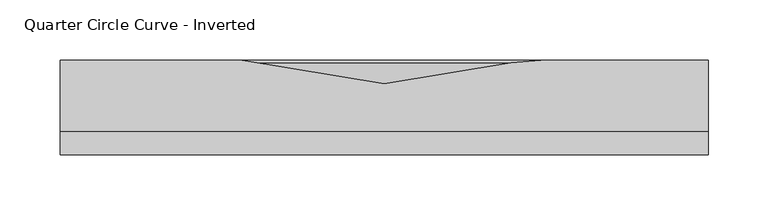
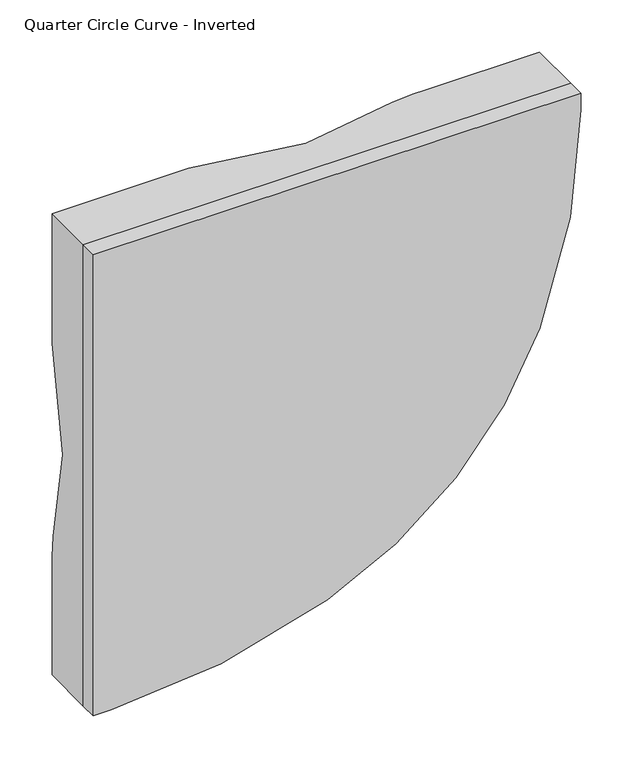
"""IFC4 building model written with IfcOpenShell, lengths in millimetres: furniture geometry, Quarter Circle Curve - Inverted."""

from ifc_helpers import new_model, si_unit, point, frame, frame_2d, origin, place, context, project, spatial, polyline, circle_curve, ellipse_curve, trimmed, segment, composite_curve, outline, extrude, source, transform, mapped, element, save
from ifc_brep_helpers import plane_surface, cylinder_surface, revolved_surface, advanced_brep


def quarter_circle_curve_inverted_fae73153(model_context):
    return source(origin(), model_context, "Body", "SolidModel", [
        extrude(outline(composite_curve([segment(polyline([(1500.0, -270.0), (1500.0, -250.2887948)]), True, "CONTINUOUS"), segment(trimmed(circle_curve(frame_2d((2159.9652032, -250.2887948)), 659.9652032), [point((1500.0, -250.2887948))], [point((1545.0644581, -10.5991139))], False, "CARTESIAN"), True, "CONTINUOUS"), segment(trimmed(circle_curve(frame_2d((1931.0616985, -161.0616985)), 414.2859628), [point((1545.0644581, -10.5991139))], [point((1780.5991139, 224.9355419))], False, "CARTESIAN"), True, "CONTINUOUS"), segment(trimmed(circle_curve(frame_2d((2020.2887948, -389.9652032)), 659.9652032), [point((1780.5991139, 224.9355419))], [point((2020.2887948, 270.0))], False, "CARTESIAN"), True, "CONTINUOUS"), segment(polyline([(2020.2887948, 270.0), (2040.0, 270.0), (2040.0, -270.0), (1500.0, -270.0)]), True, "CONTINUOUS")], self_intersect=False)), frame((0.0, -19.0, 0.0), z_axis=(0.0, 1.0, 0.0), x_axis=(0.0, 0.0, 1.0)), (0.0, 0.0, 1.0), 19.0),
        advanced_brep(
        [(-118.5203808, 60.0, 2040.0), (-118.5203808, 60.0, 1995.0), (-225.0, 60.0, 1888.5203808), (-270.0, 60.0, 1888.5203808), (-270.0, 60.0, 2040.0), (270.0, 60.0, 2040.0), (270.0, 60.0, 2020.2887948), (224.9355419, 60.0, 1780.5991139), (-10.5991139, 60.0, 1545.0644581), (-250.2887948, 60.0, 1500.0), (-270.0, 60.0, 1500.0), (-270.0, 60.0, 1625.0), (-270.0, 60.0, 1638.9124051), (-225.0, 60.0, 1638.9124051), (131.0875949, 60.0, 1995.0), (131.0875949, 60.0, 2040.0), (145.0, 60.0, 2040.0), (-270.0, 0.0, 1500.0), (-250.2887948, 0.0, 1500.0), (-10.5991139, 0.0, 1545.0644581), (224.9355419, 0.0, 1780.5991139), (270.0, 0.0, 2020.2887948), (270.0, 0.0, 2040.0), (-270.0, 0.0, 2040.0), (106.1283636, 57.90888, 2040.0), (0.0, 40.0, 2040.0), (-270.0, 40.0, 1770.0), (-270.0, 57.90888, 1663.8716364), (106.1283636, 57.90888, 1995.0), (0.0, 40.0, 1995.0), (-225.0, 57.90888, 1663.8716364), (-225.0, 40.0, 1770.0)],
        [
            (0, 1),
            (1, 2, circle_curve(frame((-225.0, 60.0, 1995.0), z_axis=(0.0, 1.0, 0.0), x_axis=(1.0, 0.0, 0.0)), 106.4796192)),
            (2, 3),
            (3, 4),
            (4, 0),
            (5, 6),
            (6, 7, circle_curve(frame((-389.9652032, 60.0, 2020.2887948), z_axis=(0.0, 1.0, 0.0), x_axis=(1.0, 0.0, 0.0)), 659.9652032)),
            (7, 8, circle_curve(frame((-161.0616985, 60.0, 1931.0616985), z_axis=(0.0, 1.0, 0.0), x_axis=(1.0, 0.0, 0.0)), 414.2859628)),
            (8, 9, circle_curve(frame((-250.2887948, 60.0, 2159.9652032), z_axis=(0.0, 1.0, 0.0), x_axis=(1.0, 0.0, 0.0)), 659.9652032)),
            (9, 10),
            (10, 11),
            (11, 12),
            (12, 13),
            (13, 14, circle_curve(frame((-225.0, 60.0, 1995.0), z_axis=(0.0, -1.0, 0.0), x_axis=(1.0, 0.0, 0.0)), 356.0875949)),
            (14, 15),
            (15, 16),
            (16, 5),
            (17, 18),
            (18, 19, circle_curve(frame((-250.2887948, 0.0, 2159.9652032), z_axis=(0.0, -1.0, 0.0), x_axis=(1.0, 0.0, 0.0)), 659.9652032)),
            (19, 20, circle_curve(frame((-161.0616985, 0.0, 1931.0616985), z_axis=(0.0, -1.0, 0.0), x_axis=(1.0, 0.0, 0.0)), 414.2859628)),
            (20, 21, circle_curve(frame((-389.9652032, 0.0, 2020.2887948), z_axis=(0.0, -1.0, 0.0), x_axis=(1.0, 0.0, 0.0)), 659.9652032)),
            (21, 22),
            (22, 23),
            (23, 17),
            (22, 5),
            (15, 24, circle_curve(frame((131.0875949, -90.0, 2040.0), z_axis=(0.0, 0.0, 1.0), x_axis=(0.0, 1.0, 0.0)), 150.0)),
            (24, 25),
            (25, 0),
            (4, 23),
            (3, 26),
            (26, 27),
            (27, 12, circle_curve(frame((-270.0, -90.0, 1638.9124051), z_axis=(-1.0, 0.0, 0.0), x_axis=(0.0, 1.0, 0.0)), 150.0)),
            (10, 17),
            (9, 18),
            (21, 6),
            (24, 28),
            (28, 29),
            (29, 25),
            (29, 1),
            (28, 30, circle_curve(frame((-225.0, 57.90888, 1995.0), z_axis=(0.0, 1.0, 0.0), x_axis=(1.0, 0.0, 0.0)), 331.1283636)),
            (30, 31),
            (31, 29, circle_curve(frame((-225.0, 40.0, 1995.0), z_axis=(0.0, -1.0, 0.0), x_axis=(1.0, 0.0, 0.0)), 225.0)),
            (31, 2),
            (30, 27),
            (26, 31),
            (14, 28, circle_curve(frame((131.0875949, -90.0, 1995.0), z_axis=(0.0, 0.0, 1.0), x_axis=(0.0, 1.0, 0.0)), 150.0)),
            (13, 30, circle_curve(frame((-225.0, -90.0, 1638.9124051), z_axis=(1.0, 0.0, 0.0), x_axis=(0.0, 1.0, 0.0)), 150.0)),
            (20, 7),
            (19, 8),
        ],
        [
            plane_surface(frame((-270.0, 60.0, 2040.0), z_axis=(0.0, 1.0, 0.0), x_axis=(-1.0, 0.0, 0.0))),
            plane_surface(frame((-270.0, 0.0, 2040.0), z_axis=(0.0, -1.0, 0.0), x_axis=(1.0, 0.0, 0.0))),
            plane_surface(frame((270.0, 60.0, 2040.0), z_axis=(0.0, 0.0, 1.0), x_axis=(0.0, -1.0, 0.0))),
            plane_surface(frame((-270.0, 60.0, 2040.0), z_axis=(-1.0, 0.0, 0.0), x_axis=(0.0, -1.0, 0.0))),
            plane_surface(frame((-270.0, 60.0, 1500.0), z_axis=(0.0, 0.0, -1.0), x_axis=(0.0, -1.0, 0.0))),
            plane_surface(frame((270.0, 60.0, 1500.0), z_axis=(1.0, 0.0, 0.0), x_axis=(0.0, -1.0, 0.0))),
            plane_surface(frame((106.1283636, 57.90888, 2040.0), z_axis=(-0.16639487545081413, 0.9860591997561343, 0.0), x_axis=(0.0, 0.0, -1.0))),
            plane_surface(frame((0.0, 40.0, 2040.0), z_axis=(0.1663948754507782, 0.9860591997561404, 0.0), x_axis=(0.0, 0.0, -1.0))),
            revolved_surface(polyline([(0.0, 40.0, 1995.0), (106.1283636, 57.90888, 1995.0)]), (-225.0, 60.0, 1995.0), (0.0, -1.0, 0.0)),
            revolved_surface(polyline([(-120.0, 60.2496818, 1995.0), (0.0, 40.0, 1995.0)]), (-225.0, 60.0, 1995.0), (0.0, -1.0, 0.0)),
            plane_surface(frame((-225.0, 57.90888, 1663.8716364), z_axis=(0.0, 0.9860591997561339, 0.16639487545081733), x_axis=(-1.0, 0.0, 0.0))),
            plane_surface(frame((-225.0, 40.0, 1770.0), z_axis=(0.0, 0.986059199756141, -0.16639487545077503), x_axis=(-1.0, 0.0, 0.0))),
            cylinder_surface(frame((131.0875949, -90.0, 2040.0), z_axis=(0.0, 0.0, -1.0), x_axis=(0.0, 1.0, 0.0)), 150.0),
            revolved_surface(trimmed(ellipse_curve(frame((131.0875949, -90.0, 1995.0), z_axis=(0.0, 0.0, -1.0), x_axis=(0.0, 1.0, 0.0)), 150.0, 150.0), [point((106.1283636, 57.90888, 1995.0))], [point((131.0875949, 60.0, 1995.0))], True, "CARTESIAN"), (-225.0, 60.0, 1995.0), (0.0, -1.0, 0.0)),
            cylinder_surface(frame((-225.0, -90.0, 1638.9124051), z_axis=(-1.0, 0.0, 0.0), x_axis=(0.0, 1.0, 0.0)), 150.0),
            cylinder_surface(frame((-389.9652032, -20.0, 2020.2887948), z_axis=(0.0, -1.0, 0.0), x_axis=(1.0, 0.0, 0.0)), 659.9652032),
            cylinder_surface(frame((-161.0616985, -20.0, 1931.0616985), z_axis=(0.0, -1.0, 0.0), x_axis=(1.0, 0.0, 0.0)), 414.2859628),
            cylinder_surface(frame((-250.2887948, -20.0, 2159.9652032), z_axis=(0.0, -1.0, 0.0), x_axis=(1.0, 0.0, 0.0)), 659.9652032),
        ],
        [
            (0, [[1, 2, 3, 4, 5]]),
            (0, [[6, 7, 8, 9, 10, 11, 12, 13, 14, 15, 16, 17]]),
            (1, [[18, 19, 20, 21, 22, 23, 24]]),
            (2, [[25, -17, -16, 26, 27, 28, -5, 29, -23]]),
            (3, [[-29, -4, 30, 31, 32, -12, -11, 33, -24]]),
            (4, [[-10, 34, -18, -33]]),
            (5, [[-22, 35, -6, -25]]),
            (6, [[-27, 36, 37, 38]]),
            (7, [[39, -1, -28, -38]]),
            (8, [[40, 41, 42, -37]]),
            (9, [[43, -2, -39, -42]]),
            (10, [[44, -31, 45, -41]]),
            (11, [[-30, -3, -43, -45]]),
            (12, [[-26, -15, 46, -36]]),
            (13, [[-46, -14, 47, -40]]),
            (14, [[-47, -13, -32, -44]]),
            (15, [[-7, -35, -21, 48]]),
            (16, [[-20, 49, -8, -48]]),
            (17, [[-19, -34, -9, -49]]),
        ],
    ),
    ])


if __name__ == "__main__":
    model = new_model("IFC4")
    model_context = context("Model", 3, world=origin())
    ifc_project = project(units=[si_unit("LENGTHUNIT", "METRE", prefix="MILLI")], contexts=[model_context])
    site = spatial("IfcSite", under=ifc_project)
    building = spatial("IfcBuilding", under=site)
    placement = place(None, origin())
    quarter_circle_curve_inverted_shape = quarter_circle_curve_inverted_fae73153(model_context)
    element("IfcFurniture", 1, ObjectType="Quarter Circle Curve - Inverted", at=placement, inside=building, context=model_context, shape_type="MappedRepresentation", body=[
        mapped(quarter_circle_curve_inverted_shape, transform((0.0, 0.0, 0.0), x_axis=(1.0, 0.0, 0.0), y_axis=(0.0, 1.0, 0.0), z_axis=(0.0, 0.0, 1.0))),
    ])
    save(model, "model.ifc")
